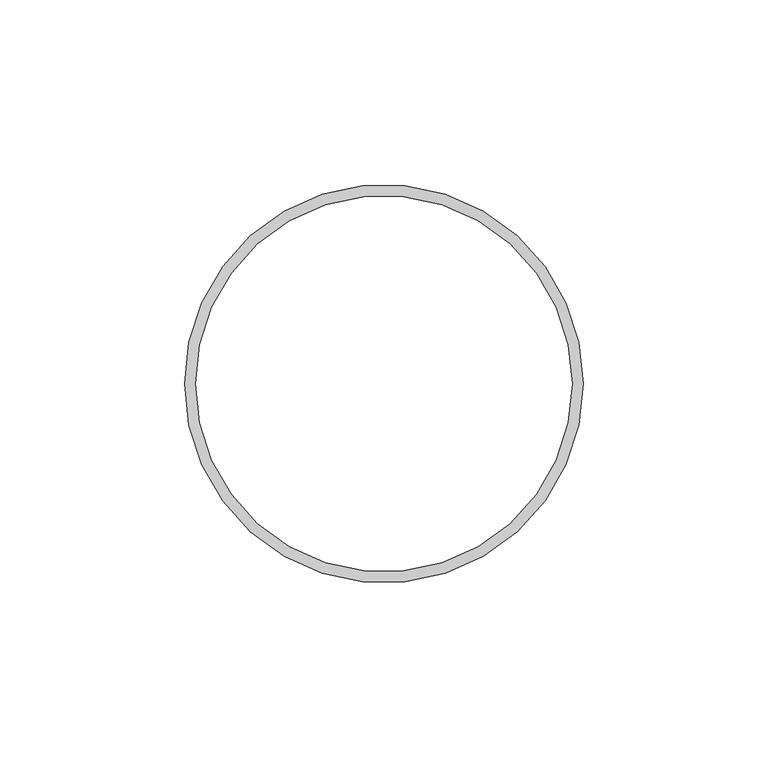
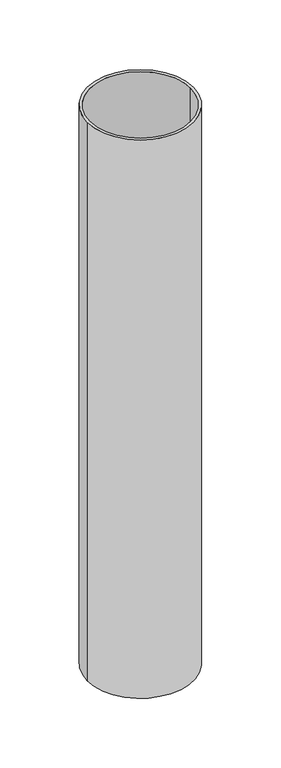
"""IFC4 building model written with IfcOpenShell, lengths in millimetres: beam geometry."""

from ifc_helpers import new_model, si_unit, point, frame, origin, origin_2d, place, context, project, spatial, circle_curve, trimmed, segment, composite_curve, outline, extrude, source, transform, mapped, element, save


def beam_d4c2a998(model_context):
    return source(origin(), model_context, "Body", "SweptSolid", [
        extrude(outline(composite_curve([segment(trimmed(circle_curve(origin_2d(), 54.0), [point((54.0, 0.0))], [point((-54.0, 0.0))], False, "CARTESIAN"), True, "CONTINUOUS"), segment(trimmed(circle_curve(origin_2d(), 54.0), [point((-54.0, 0.0))], [point((54.0, 0.0))], False, "CARTESIAN"), True, "CONTINUOUS")], self_intersect=False), holes=[composite_curve([segment(trimmed(circle_curve(origin_2d(), 51.0), [point((51.0, 0.0))], [point((-51.0, 0.0))], True, "CARTESIAN"), True, "CONTINUOUS"), segment(trimmed(circle_curve(origin_2d(), 51.0), [point((-51.0, 0.0))], [point((51.0, 0.0))], True, "CARTESIAN"), True, "CONTINUOUS")], self_intersect=False)]), frame((0.0, 0.0, -600.0), z_axis=(0.0, 0.0, 1.0), x_axis=(1.0, 0.0, 0.0)), (0.0, 0.0, 1.0), 600.0),
    ])


if __name__ == "__main__":
    model = new_model("IFC4")
    model_context = context("Model", 3, world=origin())
    ifc_project = project(units=[si_unit("LENGTHUNIT", "METRE", prefix="MILLI")], contexts=[model_context])
    site = spatial("IfcSite", under=ifc_project)
    building = spatial("IfcBuilding", under=site)
    placement = place(None, origin())
    beam_shape = beam_d4c2a998(model_context)
    element("IfcBeam", 1, at=placement, inside=building, context=model_context, shape_type="MappedRepresentation", body=[
        mapped(beam_shape, transform((0.0, 0.0, 0.0), x_axis=(1.0, 0.0, 0.0), y_axis=(0.0, 1.0, 0.0), z_axis=(0.0, 0.0, 1.0))),
    ])
    save(model, "model.ifc")
